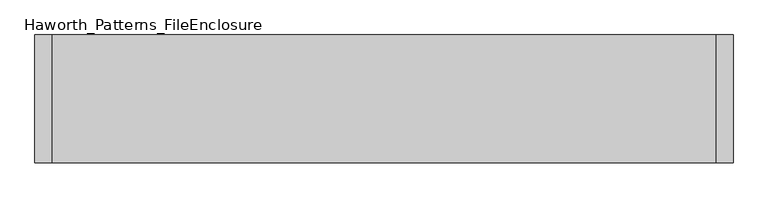
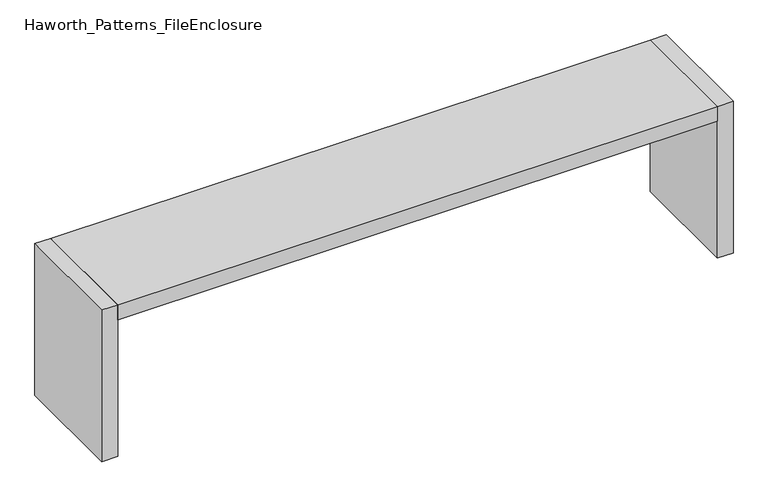
"""IFC4 building model written with IfcOpenShell, lengths in millimetres: furniture geometry, Haworth_Patterns_FileEnclosure."""

from ifc_helpers import new_model, si_unit, frame, origin, origin_with_axes, place, context, project, spatial, polyline, outline, extrude, source, transform, mapped, element, save


def haworth_patterns_fileenclosure_e7e3d938(model_context):
    return source(origin(), model_context, "Body", "SweptSolid", [
        extrude(outline(polyline([(1447.8, 0.0), (1447.8, -558.8), (-1447.8, -558.8), (-1447.8, 0.0), (1447.8, 0.0)])), frame((0.0, 0.0, 698.5), z_axis=(0.0, 0.0, 1.0), x_axis=(1.0, 0.0, 0.0)), (0.0, 0.0, 1.0), 76.2),
        extrude(outline(polyline([(1447.8, 0.0), (1524.0, 0.0), (1524.0, -558.8), (1447.8, -558.8), (1447.8, 0.0)])), origin_with_axes(), (0.0, 0.0, 1.0), 774.7),
        extrude(outline(polyline([(-1447.8, 0.0), (-1447.8, -558.8), (-1524.0, -558.8), (-1524.0, 0.0), (-1447.8, 0.0)])), origin_with_axes(), (0.0, 0.0, 1.0), 774.7),
    ])


if __name__ == "__main__":
    model = new_model("IFC4")
    model_context = context("Model", 3, world=origin())
    ifc_project = project(units=[si_unit("LENGTHUNIT", "METRE", prefix="MILLI")], contexts=[model_context])
    site = spatial("IfcSite", under=ifc_project)
    building = spatial("IfcBuilding", under=site)
    placement = place(None, origin())
    haworth_patterns_fileenclosure_shape = haworth_patterns_fileenclosure_e7e3d938(model_context)
    element("IfcFurniture", 1, ObjectType="Haworth_Patterns_FileEnclosure", at=placement, inside=building, context=model_context, shape_type="MappedRepresentation", body=[
        mapped(haworth_patterns_fileenclosure_shape, transform((0.0, 0.0, 0.0), x_axis=(1.0, 0.0, 0.0), y_axis=(0.0, 1.0, 0.0), z_axis=(0.0, 0.0, 1.0))),
    ])
    save(model, "model.ifc")
